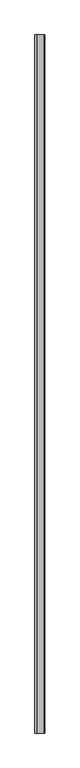
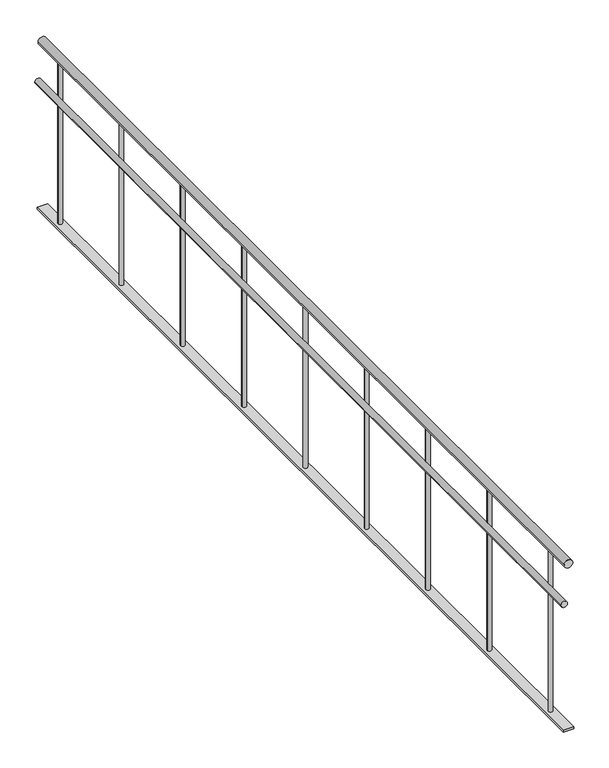
"""IFC4 building model written with IfcOpenShell, lengths in millimetres: railing geometry."""

from ifc_helpers import new_model, si_unit, point, frame, frame_2d, origin, place, context, project, spatial, polyline, circle_curve, trimmed, segment, composite_curve, outline, extrude, source, transform, mapped, element, save


def railing_6c7ed68c(model_context):
    return source(origin(), model_context, "Body", "SweptSolid", [
        extrude(outline(composite_curve([segment(trimmed(circle_curve(frame_2d((880.0, 14655.0112841)), 20.0), [point((880.0, 14675.0112841))], [point((880.0, 14635.0112841))], False, "CARTESIAN"), True, "CONTINUOUS"), segment(trimmed(circle_curve(frame_2d((880.0, 14655.0112841)), 20.0), [point((880.0, 14635.0112841))], [point((880.0, 14675.0112841))], False, "CARTESIAN"), True, "CONTINUOUS")], self_intersect=False)), frame((0.0, 6903.1079487, 0.0), z_axis=(0.0, 1.0, 0.0), x_axis=(0.0, 0.0, 1.0)), (0.0, 0.0, 1.0), 4290.0),
        extrude(outline(composite_curve([segment(trimmed(circle_curve(frame_2d((685.0, 14635.0112841)), 15.0), [point((685.0, 14650.0112841))], [point((685.0, 14620.0112841))], False, "CARTESIAN"), True, "CONTINUOUS"), segment(trimmed(circle_curve(frame_2d((685.0, 14635.0112841)), 15.0), [point((685.0, 14620.0112841))], [point((685.0, 14650.0112841))], False, "CARTESIAN"), True, "CONTINUOUS")], self_intersect=False)), frame((0.0, 6903.1079487, 0.0), z_axis=(0.0, 1.0, 0.0), x_axis=(0.0, 0.0, 1.0)), (0.0, 0.0, 1.0), 4290.0),
        extrude(outline(polyline([(14630.0112841, 11193.1079487), (14680.0112841, 11193.1079487), (14680.0112841, 6903.1079487), (14630.0112841, 6903.1079487), (14630.0112841, 11193.1079487)])), frame((0.0, 0.0, 50.0), z_axis=(0.0, 0.0, 1.0), x_axis=(1.0, 0.0, 0.0)), (0.0, 0.0, 1.0), 10.0),
        extrude(outline(composite_curve([segment(trimmed(circle_curve(frame_2d((14655.0112841, 7048.1079487)), 10.0), [point((14665.0112841, 7048.1079487))], [point((14645.0112841, 7048.1079487))], False, "CARTESIAN"), True, "CONTINUOUS"), segment(trimmed(circle_curve(frame_2d((14655.0112841, 7048.1079487)), 10.0), [point((14645.0112841, 7048.1079487))], [point((14665.0112841, 7048.1079487))], False, "CARTESIAN"), True, "CONTINUOUS")], self_intersect=False)), frame((0.0, 0.0, 60.0), z_axis=(0.0, 0.0, 1.0), x_axis=(1.0, 0.0, 0.0)), (0.0, 0.0, 1.0), 800.0),
        extrude(outline(composite_curve([segment(trimmed(circle_curve(frame_2d((14655.0112841, 7548.1079487)), 10.0), [point((14665.0112841, 7548.1079487))], [point((14645.0112841, 7548.1079487))], False, "CARTESIAN"), True, "CONTINUOUS"), segment(trimmed(circle_curve(frame_2d((14655.0112841, 7548.1079487)), 10.0), [point((14645.0112841, 7548.1079487))], [point((14665.0112841, 7548.1079487))], False, "CARTESIAN"), True, "CONTINUOUS")], self_intersect=False)), frame((0.0, 0.0, 60.0), z_axis=(0.0, 0.0, 1.0), x_axis=(1.0, 0.0, 0.0)), (0.0, 0.0, 1.0), 800.0),
        extrude(outline(composite_curve([segment(trimmed(circle_curve(frame_2d((14655.0112841, 8048.1079487)), 10.0), [point((14665.0112841, 8048.1079487))], [point((14645.0112841, 8048.1079487))], False, "CARTESIAN"), True, "CONTINUOUS"), segment(trimmed(circle_curve(frame_2d((14655.0112841, 8048.1079487)), 10.0), [point((14645.0112841, 8048.1079487))], [point((14665.0112841, 8048.1079487))], False, "CARTESIAN"), True, "CONTINUOUS")], self_intersect=False)), frame((0.0, 0.0, 60.0), z_axis=(0.0, 0.0, 1.0), x_axis=(1.0, 0.0, 0.0)), (0.0, 0.0, 1.0), 800.0),
        extrude(outline(composite_curve([segment(trimmed(circle_curve(frame_2d((14655.0112841, 8548.1079487)), 10.0), [point((14665.0112841, 8548.1079487))], [point((14645.0112841, 8548.1079487))], False, "CARTESIAN"), True, "CONTINUOUS"), segment(trimmed(circle_curve(frame_2d((14655.0112841, 8548.1079487)), 10.0), [point((14645.0112841, 8548.1079487))], [point((14665.0112841, 8548.1079487))], False, "CARTESIAN"), True, "CONTINUOUS")], self_intersect=False)), frame((0.0, 0.0, 60.0), z_axis=(0.0, 0.0, 1.0), x_axis=(1.0, 0.0, 0.0)), (0.0, 0.0, 1.0), 800.0),
        extrude(outline(composite_curve([segment(trimmed(circle_curve(frame_2d((14655.0112841, 9048.1079487)), 10.0), [point((14665.0112841, 9048.1079487))], [point((14645.0112841, 9048.1079487))], False, "CARTESIAN"), True, "CONTINUOUS"), segment(trimmed(circle_curve(frame_2d((14655.0112841, 9048.1079487)), 10.0), [point((14645.0112841, 9048.1079487))], [point((14665.0112841, 9048.1079487))], False, "CARTESIAN"), True, "CONTINUOUS")], self_intersect=False)), frame((0.0, 0.0, 60.0), z_axis=(0.0, 0.0, 1.0), x_axis=(1.0, 0.0, 0.0)), (0.0, 0.0, 1.0), 800.0),
        extrude(outline(composite_curve([segment(trimmed(circle_curve(frame_2d((14655.0112841, 9548.1079487)), 10.0), [point((14665.0112841, 9548.1079487))], [point((14645.0112841, 9548.1079487))], False, "CARTESIAN"), True, "CONTINUOUS"), segment(trimmed(circle_curve(frame_2d((14655.0112841, 9548.1079487)), 10.0), [point((14645.0112841, 9548.1079487))], [point((14665.0112841, 9548.1079487))], False, "CARTESIAN"), True, "CONTINUOUS")], self_intersect=False)), frame((0.0, 0.0, 60.0), z_axis=(0.0, 0.0, 1.0), x_axis=(1.0, 0.0, 0.0)), (0.0, 0.0, 1.0), 800.0),
        extrude(outline(composite_curve([segment(trimmed(circle_curve(frame_2d((14655.0112841, 10048.1079487)), 10.0), [point((14665.0112841, 10048.1079487))], [point((14645.0112841, 10048.1079487))], False, "CARTESIAN"), True, "CONTINUOUS"), segment(trimmed(circle_curve(frame_2d((14655.0112841, 10048.1079487)), 10.0), [point((14645.0112841, 10048.1079487))], [point((14665.0112841, 10048.1079487))], False, "CARTESIAN"), True, "CONTINUOUS")], self_intersect=False)), frame((0.0, 0.0, 60.0), z_axis=(0.0, 0.0, 1.0), x_axis=(1.0, 0.0, 0.0)), (0.0, 0.0, 1.0), 800.0),
        extrude(outline(composite_curve([segment(trimmed(circle_curve(frame_2d((14655.0112841, 10548.1079487)), 10.0), [point((14665.0112841, 10548.1079487))], [point((14645.0112841, 10548.1079487))], False, "CARTESIAN"), True, "CONTINUOUS"), segment(trimmed(circle_curve(frame_2d((14655.0112841, 10548.1079487)), 10.0), [point((14645.0112841, 10548.1079487))], [point((14665.0112841, 10548.1079487))], False, "CARTESIAN"), True, "CONTINUOUS")], self_intersect=False)), frame((0.0, 0.0, 60.0), z_axis=(0.0, 0.0, 1.0), x_axis=(1.0, 0.0, 0.0)), (0.0, 0.0, 1.0), 800.0),
        extrude(outline(composite_curve([segment(trimmed(circle_curve(frame_2d((14655.0112841, 11048.1079487)), 10.0), [point((14665.0112841, 11048.1079487))], [point((14645.0112841, 11048.1079487))], False, "CARTESIAN"), True, "CONTINUOUS"), segment(trimmed(circle_curve(frame_2d((14655.0112841, 11048.1079487)), 10.0), [point((14645.0112841, 11048.1079487))], [point((14665.0112841, 11048.1079487))], False, "CARTESIAN"), True, "CONTINUOUS")], self_intersect=False)), frame((0.0, 0.0, 60.0), z_axis=(0.0, 0.0, 1.0), x_axis=(1.0, 0.0, 0.0)), (0.0, 0.0, 1.0), 800.0),
    ])


if __name__ == "__main__":
    model = new_model("IFC4")
    model_context = context("Model", 3, world=origin())
    ifc_project = project(units=[si_unit("LENGTHUNIT", "METRE", prefix="MILLI")], contexts=[model_context])
    site = spatial("IfcSite", under=ifc_project)
    building = spatial("IfcBuilding", under=site)
    placement = place(None, origin())
    railing_shape = railing_6c7ed68c(model_context)
    element("IfcRailing", 1, at=placement, inside=building, context=model_context, shape_type="MappedRepresentation", body=[
        mapped(railing_shape, transform((0.0, 0.0, 0.0), x_axis=(1.0, 0.0, 0.0), y_axis=(0.0, 1.0, 0.0), z_axis=(0.0, 0.0, 1.0))),
    ])
    save(model, "model.ifc")
